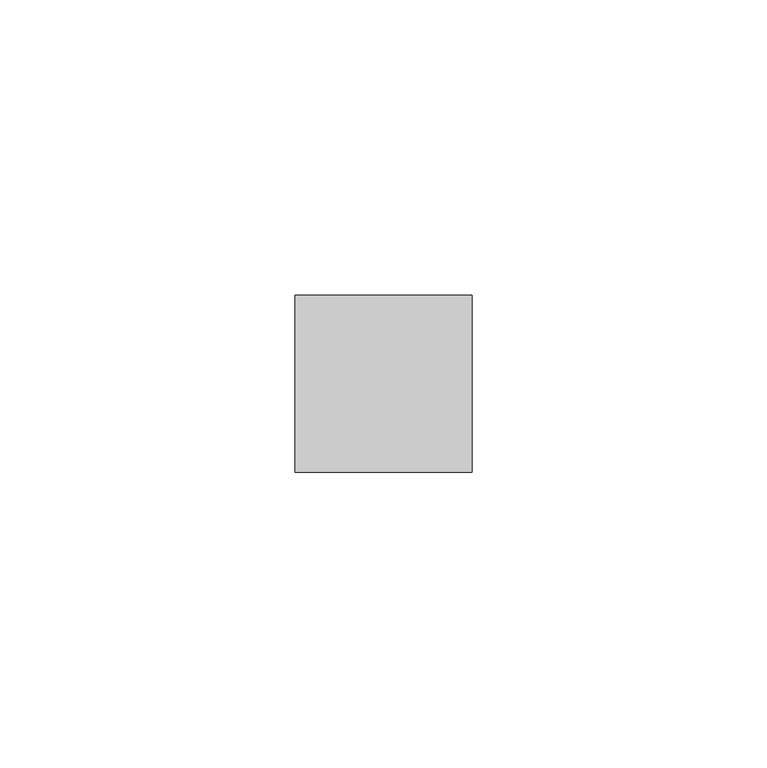
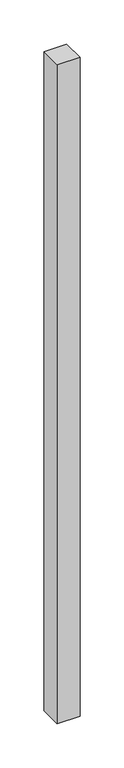
"""IFC4 building model written with IfcOpenShell, lengths in millimetres: member geometry."""

import ifcopenshell
import ifcopenshell.guid

model = None  # the IFC model being written
_history = None  # IfcOwnerHistory: only IFC2X3 demands one
_inside = {}  # id of a spatial element -> (the spatial element, [elements in it])
_under = {}  # id of a project, library or spatial element -> (it, [spatial elements below it])
_declared = {}  # id of a project -> (the project, [libraries it declares])
_typed = {}  # id of a type object -> (the type object, [elements of that type])
_made_of = {}  # id of a material, layer set ... -> (it, [elements and type objects made of it])


def new_model(schema):
    """Start an empty IFC model of exactly this schema.

    Asked for "IFC4X3", IfcOpenShell would pick the latest addendum, in which some entities
    have other attributes; the version numbers below select the first issue.
    IFC2X3 requires an IfcOwnerHistory on every rooted entity: one is made here for all.
    """
    global model, _history
    if schema == "IFC4X3":
        model = ifcopenshell.file(schema_version=(4, 3, 0, 0))
    else:
        model = ifcopenshell.file(schema=schema)
    _inside.clear()
    _under.clear()
    _declared.clear()
    _typed.clear()
    _made_of.clear()
    _history = None
    if model.schema == "IFC2X3":
        org = make("IfcOrganization", Name="unknown")
        user = make(
            "IfcPersonAndOrganization",
            ThePerson=make("IfcPerson", FamilyName="unknown"),
            TheOrganization=org,
        )
        app = make(
            "IfcApplication",
            ApplicationDeveloper=org,
            Version="unknown",
            ApplicationFullName="unknown",
            ApplicationIdentifier="unknown",
        )
        _history = make(
            "IfcOwnerHistory",
            OwningUser=user,
            OwningApplication=app,
            ChangeAction="ADDED",
            CreationDate=0,
        )
    return model


def make(cls, **values):
    """One entity of the class cls with the attributes given. An attribute that is None is left unset."""
    return model.create_entity(
        cls, **{name: value for name, value in values.items() if value is not None}
    )


def rooted(cls, **values):
    """An entity with a GlobalId (a new one), such as an element, a storey or a relation."""
    return make(cls, GlobalId=ifcopenshell.guid.new(), OwnerHistory=_history, **values)


def si_unit(unit_type, name, prefix=None):
    """IfcSIUnit, for example si_unit("LENGTHUNIT", "METRE", prefix="MILLI")."""
    return make("IfcSIUnit", UnitType=unit_type, Prefix=prefix, Name=name)


def assignment(units):
    """IfcUnitAssignment: the units of a project."""
    return None if units is None else make("IfcUnitAssignment", Units=units)


def point(xyz):
    """IfcCartesianPoint."""
    return None if xyz is None else make("IfcCartesianPoint", Coordinates=xyz)


def direction(xyz):
    """IfcDirection."""
    return None if xyz is None else make("IfcDirection", DirectionRatios=xyz)


def frame(location, z_axis=None, x_axis=None):
    """IfcAxis2Placement3D, a coordinate frame: its origin and axes. An axis left out is left unset."""
    return make(
        "IfcAxis2Placement3D",
        Location=point(location),
        Axis=direction(z_axis),
        RefDirection=direction(x_axis),
    )


def origin():
    """The frame at (0, 0, 0) with its axes left unset."""
    return frame((0.0, 0.0, 0.0))


def place(relative_to, where):
    """IfcLocalPlacement: puts the frame where relative to a parent placement (None: the world)."""
    return make(
        "IfcLocalPlacement", PlacementRelTo=relative_to, RelativePlacement=where
    )


def context(
    kind, dimensions, precision=None, world=None, true_north=None, identifier=None
):
    """IfcGeometricRepresentationContext, for example the 3D "Model" context."""
    return make(
        "IfcGeometricRepresentationContext",
        ContextIdentifier=identifier,
        ContextType=kind,
        CoordinateSpaceDimension=dimensions,
        Precision=precision,
        WorldCoordinateSystem=world,
        TrueNorth=true_north,
    )


def project(units=None, contexts=None):
    """IfcProject with its units and contexts."""
    return rooted(
        "IfcProject",
        Name="project",
        RepresentationContexts=contexts,
        UnitsInContext=assignment(units),
    )


def spatial(cls, under=None, at=None, **own):
    """A site, building, storey or space (cls), placed at a placement, below another one or the project."""
    s = rooted(cls, ObjectPlacement=at, **own)
    if under is not None:
        _under.setdefault(under.id(), (under, []))[1].append(s)
    return s


def polyline(points):
    """IfcPolyline through the points."""
    return make("IfcPolyline", Points=[point(p) for p in points])


def outline(outer, holes=None, kind="AREA"):
    """IfcArbitraryClosedProfileDef: a profile drawn as a closed curve; with holes, ...WithVoids."""
    if holes is None:
        return make("IfcArbitraryClosedProfileDef", ProfileType=kind, OuterCurve=outer)
    return make(
        "IfcArbitraryProfileDefWithVoids",
        ProfileType=kind,
        OuterCurve=outer,
        InnerCurves=holes,
    )


def extrude(swept, where, along, depth):
    """IfcExtrudedAreaSolid: the profile swept, set in the frame where, extruded along a direction by depth."""
    return make(
        "IfcExtrudedAreaSolid",
        SweptArea=swept,
        Position=where,
        ExtrudedDirection=direction(along),
        Depth=depth,
    )


def shape(context_of_items, identifier, shape_type, items):
    """IfcShapeRepresentation: the items that make up one representation, for example the "Body"."""
    return make(
        "IfcShapeRepresentation",
        ContextOfItems=context_of_items,
        RepresentationIdentifier=identifier,
        RepresentationType=shape_type,
        Items=items,
    )


def source(mapping_origin, context_of_items, identifier, shape_type, items):
    """IfcRepresentationMap: a shape defined once, which mapped items show again and again."""
    return make(
        "IfcRepresentationMap",
        MappingOrigin=mapping_origin,
        MappedRepresentation=shape(context_of_items, identifier, shape_type, items),
    )


def transform(
    local_origin,
    x_axis=None,
    y_axis=None,
    z_axis=None,
    scale=None,
    scale2=None,
    scale3=None,
    uniform=True,
):
    """IfcCartesianTransformationOperator3D, or its non-uniform kind. x_axis, y_axis, z_axis: its Axis1, 2, 3."""
    if uniform:
        return make(
            "IfcCartesianTransformationOperator3D",
            Axis1=direction(x_axis),
            Axis2=direction(y_axis),
            LocalOrigin=point(local_origin),
            Scale=scale,
            Axis3=direction(z_axis),
        )
    return make(
        "IfcCartesianTransformationOperator3DnonUniform",
        Axis1=direction(x_axis),
        Axis2=direction(y_axis),
        LocalOrigin=point(local_origin),
        Scale=scale,
        Axis3=direction(z_axis),
        Scale2=scale2,
        Scale3=scale3,
    )


def mapped(mapping_source, mapping_target):
    """IfcMappedItem: shows the shape of a source again, moved by a transform."""
    return make(
        "IfcMappedItem", MappingSource=mapping_source, MappingTarget=mapping_target
    )


def made_of(thing, what):
    """Note that an element or type object is made of a material, layer set ...; save() writes the relation."""
    if what is not None:
        _made_of.setdefault(what.id(), (what, []))[1].append(thing)
    return thing


def element(
    cls,
    number,
    at=None,
    inside=None,
    cuts=None,
    type_object=None,
    material=None,
    context=None,
    identifier="Body",
    shape_type=None,
    held_by="IfcProductDefinitionShape",
    body=None,
    shapes=None,
    **own,
):
    """One element of the class cls, such as IfcWall. Its Tag is "e" and its number.

    at: its placement. inside: the storey or other place that contains it. cuts: it is an
    opening in that element (IfcRelVoidsElement). A single representation is given by context,
    identifier, shape_type and body (its items); several are given by shapes. held_by: the class
    of the entity that holds the representations. save() writes the other relations.
    """
    e = rooted(cls, Tag="e%d" % number, ObjectPlacement=at, **own)
    if body is not None:
        shapes = [shape(context, identifier, shape_type, body)]
    if shapes is not None:
        e.Representation = make(held_by, Representations=shapes)
    if inside is not None:
        _inside.setdefault(inside.id(), (inside, []))[1].append(e)
    if cuts is not None:
        rooted(
            "IfcRelVoidsElement", RelatingBuildingElement=cuts, RelatedOpeningElement=e
        )
    if type_object is not None:
        _typed.setdefault(type_object.id(), (type_object, []))[1].append(e)
    return made_of(e, material)


def aggregate(whole, parts):
    """IfcRelAggregates: a whole, such as a stair, and the parts it consists of."""
    return rooted("IfcRelAggregates", RelatingObject=whole, RelatedObjects=parts)


def save(model, path):
    """Write the relations noted so far, then the file.

    IfcRelAggregates (storeys below a building ...), IfcRelContainedInSpatialStructure (elements
    in a storey), IfcRelDefinesByType, IfcRelAssociatesMaterial and IfcRelDeclares: one each for
    every whole, place, type object, material and project.
    """
    for whole, parts in _under.values():
        aggregate(whole, parts)
    for where, things in _inside.values():
        rooted(
            "IfcRelContainedInSpatialStructure",
            RelatedElements=things,
            RelatingStructure=where,
        )
    for kind, things in _typed.values():
        rooted("IfcRelDefinesByType", RelatedObjects=things, RelatingType=kind)
    for what, things in _made_of.values():
        rooted("IfcRelAssociatesMaterial", RelatedObjects=things, RelatingMaterial=what)
    for by, libraries in _declared.values():
        rooted("IfcRelDeclares", RelatingContext=by, RelatedDefinitions=libraries)
    model.write(path)


def member_5ee90df6(model_context):
    return source(origin(), model_context, "Body", "SweptSolid", [
        extrude(outline(polyline([(15.0, 15.0), (15.0, -15.0), (-15.0, -15.0), (-15.0, 15.0), (15.0, 15.0)])), frame((0.0, 0.0, -912.5), z_axis=(0.0, 0.0, 1.0), x_axis=(1.0, 0.0, 0.0)), (0.0, 0.0, 1.0), 912.5),
    ])


if __name__ == "__main__":
    model = new_model("IFC4")
    model_context = context("Model", 3, world=origin())
    ifc_project = project(units=[si_unit("LENGTHUNIT", "METRE", prefix="MILLI")], contexts=[model_context])
    site = spatial("IfcSite", under=ifc_project)
    building = spatial("IfcBuilding", under=site)
    placement = place(None, origin())
    member_shape = member_5ee90df6(model_context)
    element("IfcMember", 1, at=placement, inside=building, context=model_context, shape_type="MappedRepresentation", body=[
        mapped(member_shape, transform((0.0, 0.0, 0.0), x_axis=(1.0, 0.0, 0.0), y_axis=(0.0, 1.0, 0.0), z_axis=(0.0, 0.0, 1.0))),
    ])
    save(model, "model.ifc")
